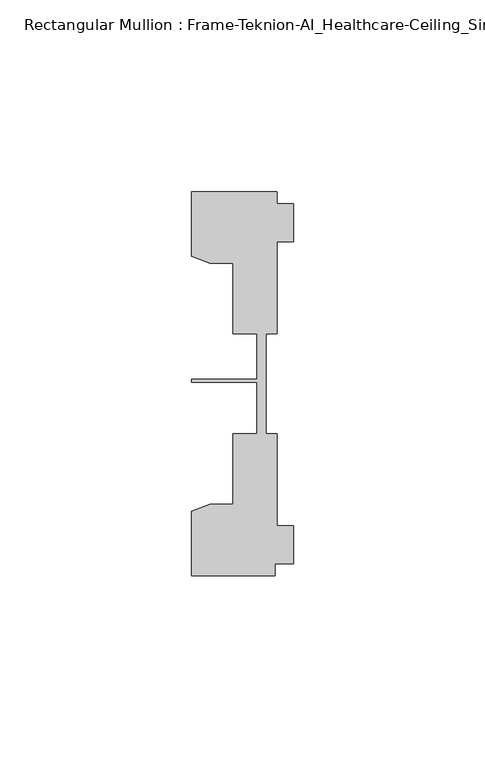
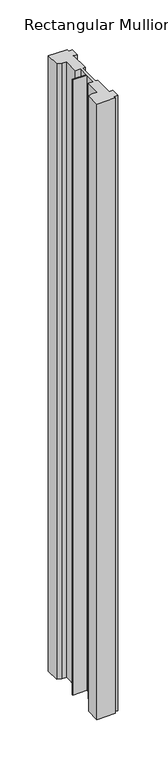
"""IFC4 building model written with IfcOpenShell, lengths in millimetres: member geometry, Rectangular Mullion : Frame-Teknion-AI_Healthcare-Ceiling_Single_Channel."""

from ifc_helpers import new_model, si_unit, frame, origin, place, context, project, spatial, polyline, outline, extrude, source, transform, mapped, element, save


def rectangular_mullion_frame_teknion_ai_healthcare_ceiling_364e662a(model_context):
    return source(origin(), model_context, "Body", "SweptSolid", [
        extrude(outline(polyline([(-26.4921999, -34.0201677), (-21.6625199, -32.2880982), (-15.6737764, -32.2880982), (-15.6737764, -13.9110722), (-9.4507761, -13.9110722), (-9.4507761, -0.4036528), (-26.4921999, -0.4036528), (-26.4921999, 0.4036528), (-9.4507761, 0.4036528), (-9.4507761, 12.2509301), (-15.6737764, 12.2509301), (-15.6737764, 30.6279561), (-21.6625199, 30.6279561), (-26.4921999, 32.3600207), (-26.4921999, 49.1699293), (-4.2672007, 49.1699293), (-4.2672007, 46.1219322), (0.0, 46.1219322), (0.0, 36.1219249), (-4.2672007, 36.1219249), (-4.2672007, 12.2509301), (-7.1647766, 12.2509301), (-7.1647766, -0.0814804), (-7.1647766, -13.9110722), (-4.2672007, -13.9110722), (-4.2672007, -37.7820716), (0.0, -37.7820716), (0.0, -47.782071), (-4.7752002, -47.782071), (-4.7752002, -50.8315128), (-26.4921999, -50.8315128), (-26.4921999, -34.0201677)])), frame((0.0, 0.0, -774.7), z_axis=(0.0, 0.0, 1.0), x_axis=(1.0, 0.0, 0.0)), (0.0, 0.0, 1.0), 774.7),
    ])


if __name__ == "__main__":
    model = new_model("IFC4")
    model_context = context("Model", 3, world=origin())
    ifc_project = project(units=[si_unit("LENGTHUNIT", "METRE", prefix="MILLI")], contexts=[model_context])
    site = spatial("IfcSite", under=ifc_project)
    building = spatial("IfcBuilding", under=site)
    placement = place(None, origin())
    rectangular_mullion_frame_teknion_ai_healthcare_ceiling_shape = rectangular_mullion_frame_teknion_ai_healthcare_ceiling_364e662a(model_context)
    element("IfcMember", 1, ObjectType="Rectangular Mullion : Frame-Teknion-AI_Healthcare-Ceiling_Single_Channel", at=placement, inside=building, context=model_context, shape_type="MappedRepresentation", body=[
        mapped(rectangular_mullion_frame_teknion_ai_healthcare_ceiling_shape, transform((0.0, 0.0, 0.0), x_axis=(1.0, 0.0, 0.0), y_axis=(0.0, 1.0, 0.0), z_axis=(0.0, 0.0, 1.0))),
    ])
    save(model, "model.ifc")
